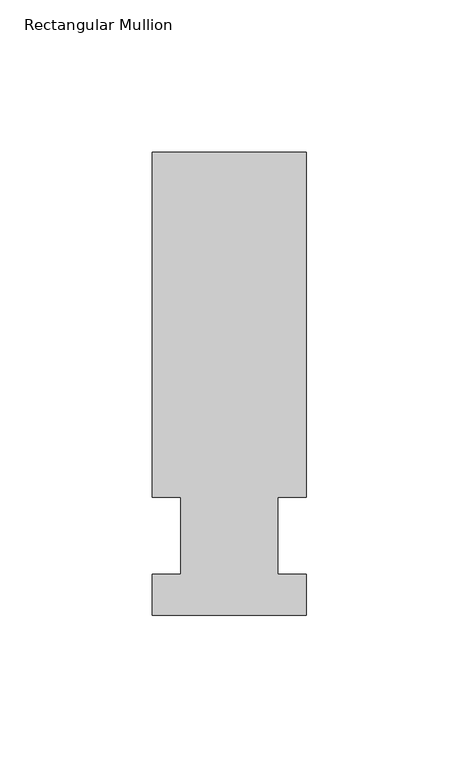
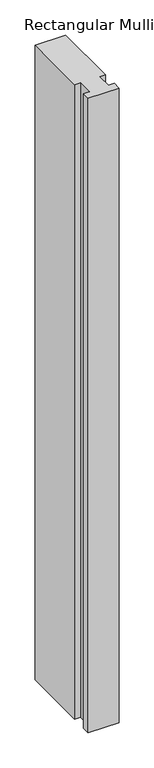
"""IFC4 building model written with IfcOpenShell, lengths in millimetres: member geometry, Rectangular Mullion."""

from ifc_helpers import new_model, si_unit, frame, origin, place, context, project, spatial, polyline, outline, extrude, source, transform, mapped, element, save


def rectangular_mullion_75c78842(model_context):
    return source(origin(), model_context, "Body", "SweptSolid", [
        extrude(outline(polyline([(-25.4, -26.19375), (-25.4, -12.7), (-15.875, -12.7), (-15.875, 12.7), (-25.4, 12.7), (-25.4, 126.20625), (25.4, 126.20625), (25.4, 12.7), (15.875, 12.7), (15.875, -12.7), (25.4, -12.7), (25.4, -26.19375), (-25.4, -26.19375)])), frame((0.0, 0.0, -1104.9), z_axis=(0.0, 0.0, 1.0), x_axis=(1.0, 0.0, 0.0)), (0.0, 0.0, 1.0), 1104.9),
    ])


if __name__ == "__main__":
    model = new_model("IFC4")
    model_context = context("Model", 3, world=origin())
    ifc_project = project(units=[si_unit("LENGTHUNIT", "METRE", prefix="MILLI")], contexts=[model_context])
    site = spatial("IfcSite", under=ifc_project)
    building = spatial("IfcBuilding", under=site)
    placement = place(None, origin())
    rectangular_mullion_shape = rectangular_mullion_75c78842(model_context)
    element("IfcMember", 1, ObjectType="Rectangular Mullion", at=placement, inside=building, context=model_context, shape_type="MappedRepresentation", body=[
        mapped(rectangular_mullion_shape, transform((0.0, 0.0, 0.0), x_axis=(1.0, 0.0, 0.0), y_axis=(0.0, 1.0, 0.0), z_axis=(0.0, 0.0, 1.0))),
    ])
    save(model, "model.ifc")
